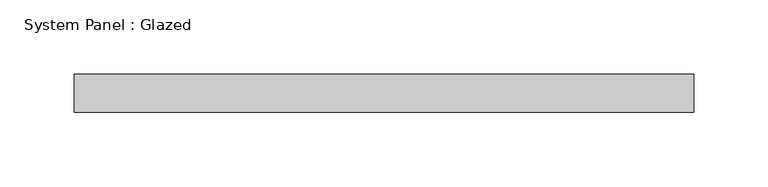
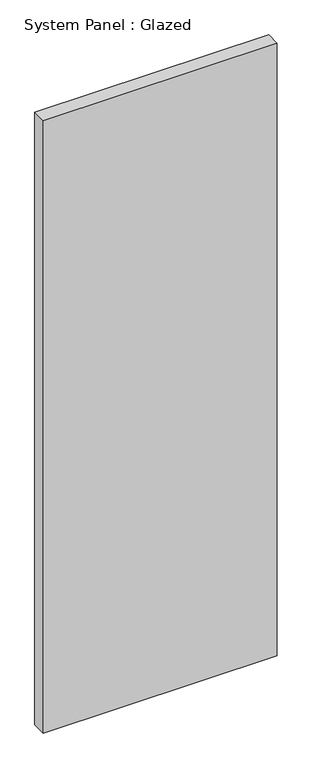
"""IFC4 building model written with IfcOpenShell, lengths in millimetres: plate geometry, System Panel : Glazed."""

from ifc_helpers import new_model, si_unit, origin, origin_with_axes, place, context, project, spatial, polyline, outline, extrude, source, transform, mapped, element, save


def system_panel_glazed_681b150e(model_context):
    return source(origin(), model_context, "Body", "SweptSolid", [
        extrude(outline(polyline([(207.9625, -12.7), (-207.9625, -12.7), (-207.9625, 12.7), (207.9625, 12.7), (207.9625, -12.7)])), origin_with_axes(), (0.0, 0.0, 1.0), 1149.35),
    ])


if __name__ == "__main__":
    model = new_model("IFC4")
    model_context = context("Model", 3, world=origin())
    ifc_project = project(units=[si_unit("LENGTHUNIT", "METRE", prefix="MILLI")], contexts=[model_context])
    site = spatial("IfcSite", under=ifc_project)
    building = spatial("IfcBuilding", under=site)
    placement = place(None, origin())
    system_panel_glazed_shape = system_panel_glazed_681b150e(model_context)
    element("IfcPlate", 1, ObjectType="System Panel : Glazed", at=placement, inside=building, context=model_context, shape_type="MappedRepresentation", body=[
        mapped(system_panel_glazed_shape, transform((0.0, 0.0, 0.0), x_axis=(1.0, 0.0, 0.0), y_axis=(0.0, 1.0, 0.0), z_axis=(0.0, 0.0, 1.0))),
    ])
    save(model, "model.ifc")
